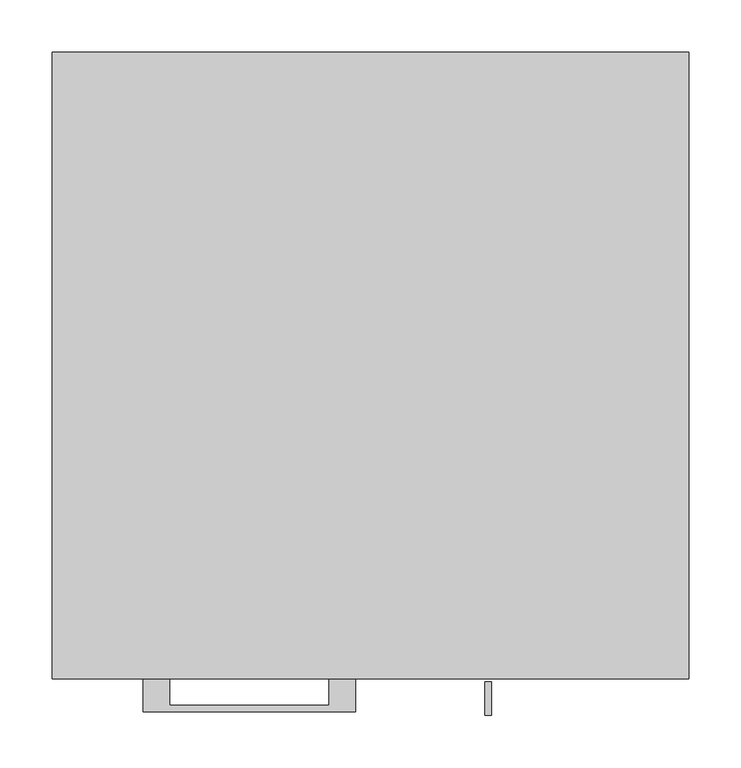
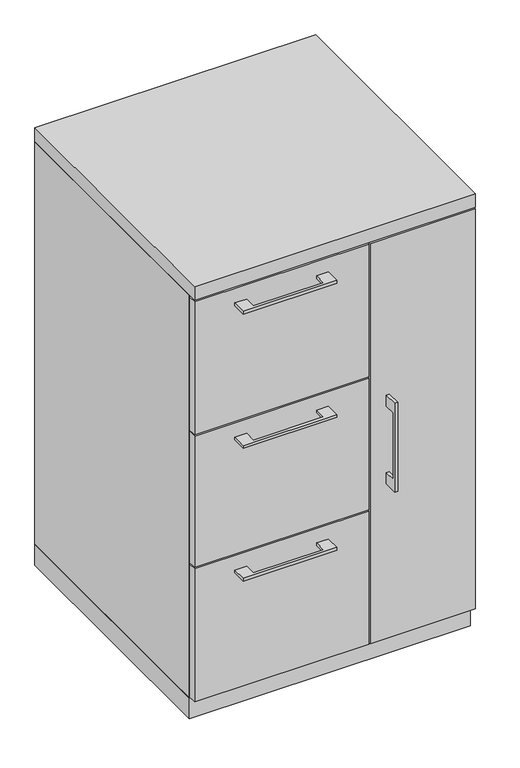
"""IFC4 building model written with IfcOpenShell, lengths in millimetres: furniture geometry."""

from ifc_helpers import new_model, si_unit, frame, origin, origin_with_axes, place, context, project, spatial, polyline, outline, extrude, source, transform, mapped, element, save


def furniture_8086afbd(model_context):
    return source(origin(), model_context, "Body", "SweptSolid", [
        extrude(outline(polyline([(-192.0874818, -600.075), (-192.0874818, -625.4749758), (-39.6875, -625.4749758), (-39.6875, -600.075), (-14.2875061, -600.075), (-14.2875061, -631.8249879), (-217.4874939, -631.8249879), (-217.4874939, -600.075), (-192.0874818, -600.075)])), frame((0.0, 0.0, 928.6875506), z_axis=(0.0, 0.0, 1.0), x_axis=(1.0, 0.0, 0.0)), (0.0, 0.0, 1.0), 6.3499758),
        extrude(outline(polyline([(73.025, -581.025), (73.025, -600.075), (-304.8, -600.075), (-304.8, -581.025), (73.025, -581.025)])), frame((0.0, 0.0, 663.575), z_axis=(0.0, 0.0, 1.0), x_axis=(1.0, 0.0, 0.0)), (0.0, 0.0, 1.0), 304.8),
        extrude(outline(polyline([(-192.0874818, -600.075), (-192.0874818, -625.4749758), (-39.6875, -625.4749758), (-39.6875, -600.075), (-14.2875061, -600.075), (-14.2875061, -631.8249879), (-217.4874939, -631.8249879), (-217.4874939, -600.075), (-192.0874818, -600.075)])), frame((0.0, 0.0, 620.7125506), z_axis=(0.0, 0.0, 1.0), x_axis=(1.0, 0.0, 0.0)), (0.0, 0.0, 1.0), 6.3499758),
        extrude(outline(polyline([(73.025, -581.025), (73.025, -600.075), (-304.8, -600.075), (-304.8, -581.025), (73.025, -581.025)])), frame((0.0, 0.0, 358.775), z_axis=(0.0, 0.0, 1.0), x_axis=(1.0, 0.0, 0.0)), (0.0, 0.0, 1.0), 301.625),
        extrude(outline(polyline([(-603.25, 585.7875), (-628.6499758, 585.7875), (-628.6499758, 433.3875), (-603.25, 433.3875), (-603.25, 407.9875), (-634.9999879, 407.9875), (-634.9999879, 611.1875), (-603.25, 611.1875), (-603.25, 585.7875)])), frame((109.5375121, 0.0, 0.0), z_axis=(1.0, 0.0, 0.0), x_axis=(0.0, 1.0, 0.0)), (0.0, 0.0, 1.0), 6.3499758),
        extrude(outline(polyline([(304.8, -600.075), (76.2, -600.075), (76.2, -581.025), (304.8, -581.025), (304.8, -600.075)])), frame((0.0, 0.0, 50.8), z_axis=(0.0, 0.0, 1.0), x_axis=(1.0, 0.0, 0.0)), (0.0, 0.0, 1.0), 917.575),
        extrude(outline(polyline([(-192.0874818, -600.075), (-192.0874818, -625.4749758), (-39.6875, -625.4749758), (-39.6875, -600.075), (-14.2875061, -600.075), (-14.2875061, -631.8249879), (-217.4874939, -631.8249879), (-217.4874939, -600.075), (-192.0874818, -600.075)])), frame((0.0, 0.0, 315.9125506), z_axis=(0.0, 0.0, 1.0), x_axis=(1.0, 0.0, 0.0)), (0.0, 0.0, 1.0), 6.3499758),
        extrude(outline(polyline([(73.025, -581.025), (73.025, -600.075), (-304.8, -600.075), (-304.8, -581.025), (73.025, -581.025)])), frame((0.0, 0.0, 50.8), z_axis=(0.0, 0.0, 1.0), x_axis=(1.0, 0.0, 0.0)), (0.0, 0.0, 1.0), 304.8),
        extrude(outline(polyline([(304.8, 0.0), (304.8, -581.025), (-304.8, -581.025), (-304.8, 0.0), (304.8, 0.0)])), origin_with_axes(), (0.0, 0.0, 1.0), 47.625),
        extrude(outline(polyline([(304.8, 0.0), (304.8, -600.075), (-304.8, -600.075), (-304.8, 0.0), (304.8, 0.0)])), frame((0.0, 0.0, 971.55), z_axis=(0.0, 0.0, 1.0), x_axis=(1.0, 0.0, 0.0)), (0.0, 0.0, 1.0), 31.75),
        extrude(outline(polyline([(304.8, 0.0), (304.8, -581.025), (-304.8, -581.025), (-304.8, 0.0), (304.8, 0.0)])), frame((0.0, 0.0, 47.625), z_axis=(0.0, 0.0, 1.0), x_axis=(1.0, 0.0, 0.0)), (0.0, 0.0, 1.0), 923.925),
    ])


if __name__ == "__main__":
    model = new_model("IFC4")
    model_context = context("Model", 3, world=origin())
    ifc_project = project(units=[si_unit("LENGTHUNIT", "METRE", prefix="MILLI")], contexts=[model_context])
    site = spatial("IfcSite", under=ifc_project)
    building = spatial("IfcBuilding", under=site)
    placement = place(None, origin())
    furniture_shape = furniture_8086afbd(model_context)
    element("IfcFurniture", 1, at=placement, inside=building, context=model_context, shape_type="MappedRepresentation", body=[
        mapped(furniture_shape, transform((0.0, 0.0, 0.0), x_axis=(1.0, 0.0, 0.0), y_axis=(0.0, 1.0, 0.0), z_axis=(0.0, 0.0, 1.0))),
    ])
    save(model, "model.ifc")
